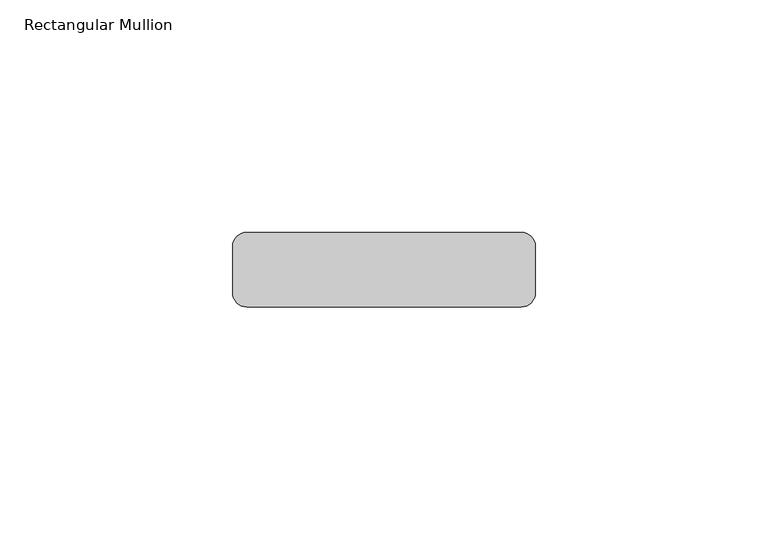
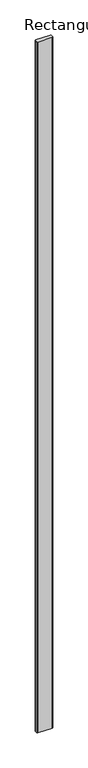
"""IFC4 building model written with IfcOpenShell, lengths in millimetres: member geometry, Rectangular Mullion."""

from ifc_helpers import new_model, si_unit, point, frame, frame_2d, origin, place, context, project, spatial, polyline, circle_curve, trimmed, segment, composite_curve, outline, extrude, source, transform, mapped, element, save


def rectangular_mullion_2d60d421(model_context):
    return source(origin(), model_context, "Body", "SweptSolid", [
        extrude(outline(composite_curve([segment(trimmed(circle_curve(frame_2d((29.5, 13.0)), 3.0), [point((29.5, 16.0))], [point((32.5, 13.0))], False, "CARTESIAN"), True, "CONTINUOUS"), segment(polyline([(32.5, 13.0), (32.5, 3.0)]), True, "CONTINUOUS"), segment(trimmed(circle_curve(frame_2d((29.5, 3.0)), 3.0), [point((32.5, 3.0))], [point((29.5, 0.0))], False, "CARTESIAN"), True, "CONTINUOUS"), segment(polyline([(29.5, 0.0), (-29.5, 0.0)]), True, "CONTINUOUS"), segment(trimmed(circle_curve(frame_2d((-29.5, 3.0)), 3.0), [point((-29.5, 0.0))], [point((-32.5, 3.0))], False, "CARTESIAN"), True, "CONTINUOUS"), segment(polyline([(-32.5, 3.0), (-32.5, 13.0)]), True, "CONTINUOUS"), segment(trimmed(circle_curve(frame_2d((-29.5, 13.0)), 3.0), [point((-32.5, 13.0))], [point((-29.5, 16.0))], False, "CARTESIAN"), True, "CONTINUOUS"), segment(polyline([(-29.5, 16.0), (29.5, 16.0)]), True, "CONTINUOUS")], self_intersect=False)), frame((0.0, 0.0, -3000.0), z_axis=(0.0, 0.0, 1.0), x_axis=(1.0, 0.0, 0.0)), (0.0, 0.0, 1.0), 3000.0),
    ])


if __name__ == "__main__":
    model = new_model("IFC4")
    model_context = context("Model", 3, world=origin())
    ifc_project = project(units=[si_unit("LENGTHUNIT", "METRE", prefix="MILLI")], contexts=[model_context])
    site = spatial("IfcSite", under=ifc_project)
    building = spatial("IfcBuilding", under=site)
    placement = place(None, origin())
    rectangular_mullion_shape = rectangular_mullion_2d60d421(model_context)
    element("IfcMember", 1, ObjectType="Rectangular Mullion", at=placement, inside=building, context=model_context, shape_type="MappedRepresentation", body=[
        mapped(rectangular_mullion_shape, transform((0.0, 0.0, 0.0), x_axis=(1.0, 0.0, 0.0), y_axis=(0.0, 1.0, 0.0), z_axis=(0.0, 0.0, 1.0))),
    ])
    save(model, "model.ifc")
